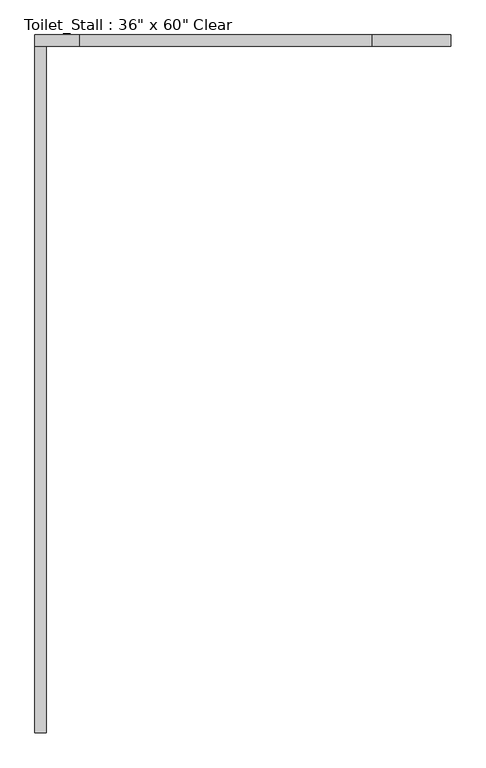
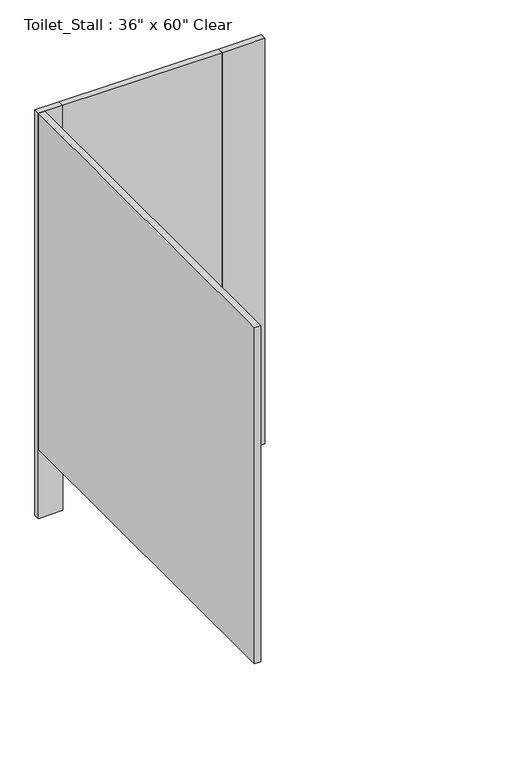
"""IFC4 building model written with IfcOpenShell, lengths in millimetres: proxy geometry."""

from ifc_helpers import new_model, si_unit, frame, origin, origin_with_axes, place, context, project, spatial, polyline, outline, extrude, source, transform, mapped, element, save


def proxy_6a1e5373(model_context):
    return source(origin(), model_context, "Body", "SweptSolid", [
        extrude(outline(polyline([(684.3031538, 1641.475), (684.3031538, 1616.075), (23.9031538, 1616.075), (23.9031538, 1641.475), (684.3031538, 1641.475)])), frame((0.0, 0.0, 304.8), z_axis=(0.0, 0.0, 1.0), x_axis=(1.0, 0.0, 0.0)), (0.0, 0.0, 1.0), 1473.2),
        extrude(outline(polyline([(23.9031538, 1641.475), (23.9031538, 1616.075), (-77.6968462, 1616.075), (-77.6968462, 1641.475), (23.9031538, 1641.475)])), origin_with_axes(), (0.0, 0.0, 1.0), 1778.0),
        extrude(outline(polyline([(862.1031538, 1641.475), (862.1031538, 1616.075), (684.3031538, 1616.075), (684.3031538, 1641.475), (862.1031538, 1641.475)])), origin_with_axes(), (0.0, 0.0, 1.0), 1778.0),
        extrude(outline(polyline([(-77.6968462, 1616.075), (-52.2968462, 1616.075), (-52.2968462, 63.5), (-77.6968462, 63.5), (-77.6968462, 1616.075)])), frame((0.0, 0.0, 304.8), z_axis=(0.0, 0.0, 1.0), x_axis=(1.0, 0.0, 0.0)), (0.0, 0.0, 1.0), 1473.2),
    ])


if __name__ == "__main__":
    model = new_model("IFC4")
    model_context = context("Model", 3, world=origin())
    ifc_project = project(units=[si_unit("LENGTHUNIT", "METRE", prefix="MILLI")], contexts=[model_context])
    site = spatial("IfcSite", under=ifc_project)
    building = spatial("IfcBuilding", under=site)
    placement = place(None, origin())
    proxy_shape = proxy_6a1e5373(model_context)
    element("IfcBuildingElementProxy", 1, Name="Toilet_Stall : 36\" x 60\" Clear", ObjectType="Toilet_Stall : 36\" x 60\" Clear", at=placement, inside=building, context=model_context, shape_type="MappedRepresentation", body=[
        mapped(proxy_shape, transform((0.0, 0.0, 0.0), x_axis=(1.0, 0.0, 0.0), y_axis=(0.0, 1.0, 0.0), z_axis=(0.0, 0.0, 1.0))),
    ])
    save(model, "model.ifc")
